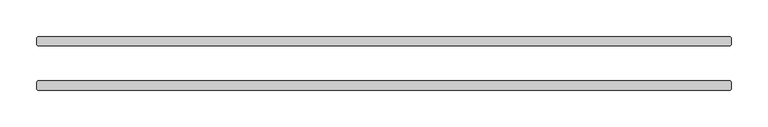
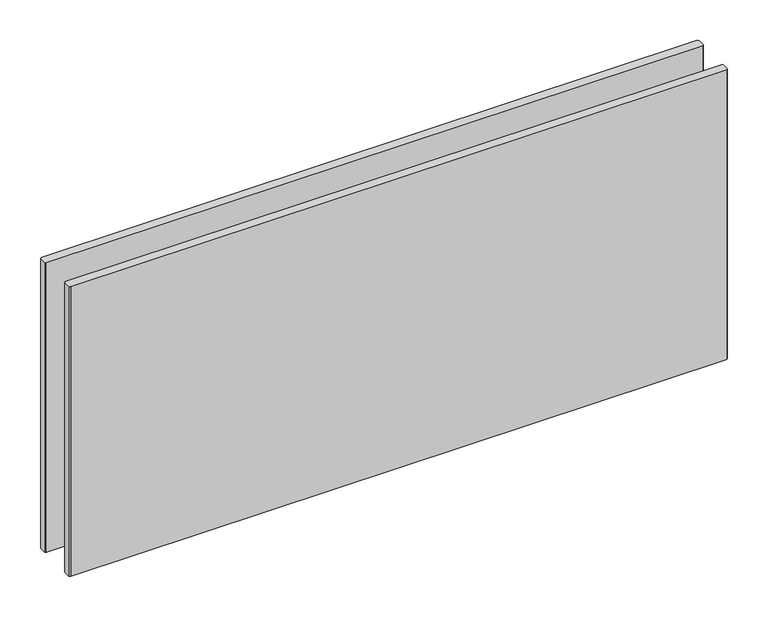
"""IFC4 building model written with IfcOpenShell, lengths in millimetres: plate geometry."""

from ifc_helpers import new_model, si_unit, origin, origin_with_axes, place, context, project, spatial, polyline, outline, extrude, source, transform, mapped, element, save


def plate_bd99f725(model_context):
    return source(origin(), model_context, "Body", "SweptSolid", [
        extrude(outline(polyline([(472.28125, -23.8125), (473.86875, -25.4), (473.86875, -34.925), (472.28125, -36.5125), (-472.28125, -36.5125), (-473.86875, -34.925), (-473.86875, -25.4), (-472.28125, -23.8125), (472.28125, -23.8125)])), origin_with_axes(), (0.0, 0.0, 1.0), 441.2289267),
        extrude(outline(polyline([(472.28125, 36.5125), (473.86875, 34.925), (473.86875, 25.4), (472.28125, 23.8125), (-472.28125, 23.8125), (-473.86875, 25.4), (-473.86875, 34.925), (-472.28125, 36.5125), (472.28125, 36.5125)])), origin_with_axes(), (0.0, 0.0, 1.0), 441.2289267),
    ])


if __name__ == "__main__":
    model = new_model("IFC4")
    model_context = context("Model", 3, world=origin())
    ifc_project = project(units=[si_unit("LENGTHUNIT", "METRE", prefix="MILLI")], contexts=[model_context])
    site = spatial("IfcSite", under=ifc_project)
    building = spatial("IfcBuilding", under=site)
    placement = place(None, origin())
    plate_shape = plate_bd99f725(model_context)
    element("IfcPlate", 1, at=placement, inside=building, context=model_context, shape_type="MappedRepresentation", body=[
        mapped(plate_shape, transform((0.0, 0.0, 0.0), x_axis=(1.0, 0.0, 0.0), y_axis=(0.0, 1.0, 0.0), z_axis=(0.0, 0.0, 1.0))),
    ])
    save(model, "model.ifc")
